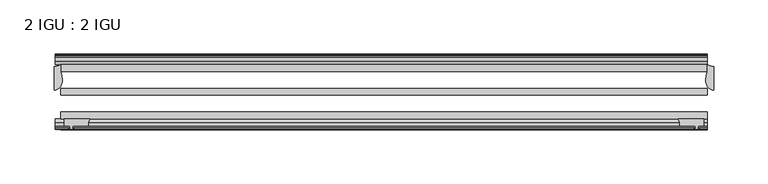
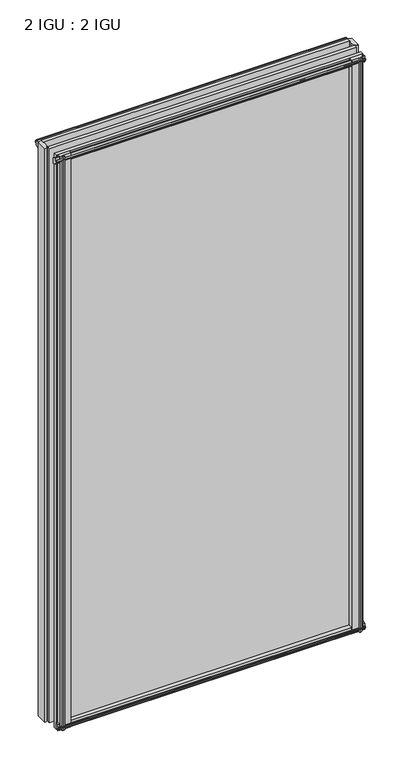
"""IFC4 building model written with IfcOpenShell, lengths in millimetres: plate geometry, 2 IGU : 2 IGU."""

from ifc_helpers import new_model, si_unit, point, frame, frame_2d, origin, place, context, project, spatial, polyline, circle_curve, ellipse_curve, trimmed, segment, composite_curve, outline, extrude, source, transform, mapped, element, save
from ifc_brep_helpers import plane_surface, cylinder_surface, revolved_surface, extruded_surface, advanced_brep


def plate_2_igu_2_igu_e8d048cc(model_context):
    return source(origin(), model_context, "Body", "SolidModel", [
        advanced_brep(
        [(304.8, -21.2713143, -12.303125), (304.8, -43.2929845, -12.303125), (297.2354224, -33.7460937, -12.303125), (298.45, -25.8960937, -12.303125), (298.45, -19.5460937, -12.303125), (304.8, -21.2713143, 1168.4), (298.45, -19.5460937, 1168.4), (298.45, -25.8960937, 1168.4), (297.2354224, -33.7460937, 1168.4), (304.8, -43.2929845, 1168.4)],
        [
            (0, 1),
            (1, 2, ellipse_curve(frame((304.8, -33.7460937, -12.303125), z_axis=(0.0, 0.0, -1.0), x_axis=(0.0, 1.0, 0.0)), 9.5468907, 7.5645776)),
            (2, 3, circle_curve(frame((323.2105831, -33.7460937, -12.303125), z_axis=(0.0, 0.0, -1.0), x_axis=(1.0, 0.0, 0.0)), 25.9751607)),
            (3, 4),
            (4, 0, circle_curve(frame((304.8, -8.7225169, -12.303125), z_axis=(0.0, 0.0, 1.0), x_axis=(1.0, 0.0, 0.0)), 12.5487974)),
            (5, 6, circle_curve(frame((304.8, -8.7225169, 1168.4), z_axis=(0.0, 0.0, -1.0), x_axis=(1.0, 0.0, 0.0)), 12.5487974)),
            (6, 7),
            (7, 8, circle_curve(frame((323.2105831, -33.7460937, 1168.4), z_axis=(0.0, 0.0, 1.0), x_axis=(1.0, 0.0, 0.0)), 25.9751607)),
            (8, 9, ellipse_curve(frame((304.8, -33.7460937, 1168.4), z_axis=(0.0, 0.0, 1.0), x_axis=(0.0, 1.0, 0.0)), 9.5468907, 7.5645776)),
            (9, 5),
            (0, 5),
            (9, 1),
            (8, 2),
            (7, 3),
            (6, 4),
        ],
        [
            plane_surface(frame((304.8, -13.1960937, -12.303125), z_axis=(0.0, 0.0, -1.0), x_axis=(0.0, 1.0, 0.0))),
            plane_surface(frame((304.8, -13.1960937, 1168.4), z_axis=(0.0, 0.0, 1.0), x_axis=(0.0, 1.0, 0.0))),
            plane_surface(frame((304.8, -21.2713143, -12.303125), z_axis=(1.0, 0.0, 0.0), x_axis=(0.0, 0.0, 1.0))),
            extruded_surface(trimmed(ellipse_curve(frame((304.8, -33.7460937, 1168.4), z_axis=(0.0, 0.0, -1.0), x_axis=(0.0, 1.0, 0.0)), 9.5468907, 7.5645776), [point((304.8, -43.2929845, 1168.4))], [point((297.2354224, -33.7460937, 1168.4))], True, "CARTESIAN"), (0.0, 0.0, -1180.703125), 1180.703125),
            cylinder_surface(frame((323.2105831, -33.7460937, -12.303125), z_axis=(0.0, 0.0, -1.0), x_axis=(1.0, 0.0, 0.0)), 25.9751607),
            plane_surface(frame((298.45, -25.8960937, -12.303125), z_axis=(-1.0, 0.0, 0.0), x_axis=(0.0, 0.0, 1.0))),
            revolved_surface(polyline([(317.3487974, -8.7225169, 1168.4), (317.3487974, -8.7225169, -12.303125)]), (304.8, -8.7225169, -12.303125), (0.0, 0.0, 1.0)),
        ],
        [
            (0, [[1, 2, 3, 4, 5]]),
            (1, [[6, 7, 8, 9, 10]]),
            (2, [[-1, 11, -10, 12]]),
            (3, [[-2, -12, -9, 13]]),
            (4, [[-3, -13, -8, 14]]),
            (5, [[-4, -14, -7, 15]]),
            (6, [[-5, -15, -6, -11]]),
        ],
    ),
        advanced_brep(
        [(-304.8, -21.2713143, -12.303125), (-298.45, -19.5460937, -12.303125), (-298.45, -25.8960937, -12.303125), (-297.2354224, -33.7460937, -12.303125), (-304.8, -43.2929845, -12.303125), (-304.8, -21.2713143, 1168.4), (-304.8, -43.2929845, 1168.4), (-297.2354224, -33.7460937, 1168.4), (-298.45, -25.8960937, 1168.4), (-298.45, -19.5460937, 1168.4)],
        [
            (0, 1, circle_curve(frame((-304.8, -8.7225169, -12.303125), z_axis=(0.0, 0.0, 1.0), x_axis=(1.0, 0.0, 0.0)), 12.5487974)),
            (1, 2),
            (2, 3, circle_curve(frame((-323.2105831, -33.7460937, -12.303125), z_axis=(0.0, 0.0, -1.0), x_axis=(1.0, 0.0, 0.0)), 25.9751607)),
            (3, 4, ellipse_curve(frame((-304.8, -33.7460937, -12.303125), z_axis=(0.0, 0.0, -1.0), x_axis=(0.0, 1.0, 0.0)), 9.5468907, 7.5645776)),
            (4, 0),
            (5, 6),
            (6, 7, ellipse_curve(frame((-304.8, -33.7460937, 1168.4), z_axis=(0.0, 0.0, 1.0), x_axis=(0.0, 1.0, 0.0)), 9.5468907, 7.5645776)),
            (7, 8, circle_curve(frame((-323.2105831, -33.7460937, 1168.4), z_axis=(0.0, 0.0, 1.0), x_axis=(1.0, 0.0, 0.0)), 25.9751607)),
            (8, 9),
            (9, 5, circle_curve(frame((-304.8, -8.7225169, 1168.4), z_axis=(0.0, 0.0, -1.0), x_axis=(1.0, 0.0, 0.0)), 12.5487974)),
            (0, 5),
            (9, 1),
            (8, 2),
            (7, 3),
            (6, 4),
        ],
        [
            plane_surface(frame((-304.8, -13.1960937, -12.303125), z_axis=(0.0, 0.0, -1.0), x_axis=(0.0, 1.0, 0.0))),
            plane_surface(frame((-304.8, -13.1960937, 1168.4), z_axis=(0.0, 0.0, 1.0), x_axis=(0.0, 1.0, 0.0))),
            revolved_surface(polyline([(-292.2512026, -8.7225169, 1168.4), (-292.2512026, -8.7225169, -12.303125)]), (-304.8, -8.7225169, -12.303125), (0.0, 0.0, 1.0)),
            plane_surface(frame((-298.45, -19.5460937, -12.303125), z_axis=(1.0, 0.0, 0.0), x_axis=(0.0, 0.0, 1.0))),
            cylinder_surface(frame((-323.2105831, -33.7460937, -12.303125), z_axis=(0.0, 0.0, -1.0), x_axis=(1.0, 0.0, 0.0)), 25.9751607),
            extruded_surface(trimmed(ellipse_curve(frame((-304.8, -33.7460937, 1168.4), z_axis=(0.0, 0.0, -1.0), x_axis=(0.0, 1.0, 0.0)), 9.5468907, 7.5645776), [point((-297.2354224, -33.7460937, 1168.4))], [point((-304.8, -43.2929845, 1168.4))], True, "CARTESIAN"), (0.0, 0.0, -1180.703125), 1180.703125),
            plane_surface(frame((-304.8, -43.2929845, -12.303125), z_axis=(-1.0, 0.0, 0.0), x_axis=(0.0, 0.0, 1.0))),
        ],
        [
            (0, [[1, 2, 3, 4, 5]]),
            (1, [[6, 7, 8, 9, 10]]),
            (2, [[-1, 11, -10, 12]]),
            (3, [[-2, -12, -9, 13]]),
            (4, [[-3, -13, -8, 14]]),
            (5, [[-4, -14, -7, 15]]),
            (6, [[-5, -15, -6, -11]]),
        ],
    ),
        extrude(outline(composite_curve([segment(polyline([(-295.275, -69.9960936), (-272.0662713, -69.9960936)]), True, "CONTINUOUS"), segment(trimmed(circle_curve(frame_2d((-260.7088743, -75.0067563)), 12.4135896), [point((-272.0662713, -69.9960936))], [point((-273.05, -76.3460936))], True, "CARTESIAN"), True, "CONTINUOUS"), segment(polyline([(-273.05, -76.3460936), (-287.655, -76.3460936), (-287.9725, -78.4506955), (-286.7538941, -78.124171), (-286.5501, -78.884741), (-288.925, -79.5210936), (-291.2999, -78.884741), (-291.0961059, -78.124171), (-289.8775, -78.4506955), (-290.195, -76.3460936), (-295.275, -76.3460936), (-295.275, -69.9960936)]), True, "CONTINUOUS")], self_intersect=False)), frame((0.0, 0.0, -12.4587), z_axis=(0.0, 0.0, 1.0), x_axis=(1.0, 0.0, 0.0)), (0.0, 0.0, 1.0), 1180.6174),
        extrude(outline(composite_curve([segment(polyline([(272.0662713, -69.9960936), (295.275, -69.9960936), (295.275, -76.3460936), (290.195, -76.3460936), (289.8775, -78.4506955), (291.0961059, -78.124171), (291.2999, -78.884741), (288.925, -79.5210936), (286.5501, -78.884741), (286.7538941, -78.124171), (287.9725, -78.4506955), (287.655, -76.3460936), (273.05, -76.3460936)]), True, "CONTINUOUS"), segment(trimmed(circle_curve(frame_2d((260.7088743, -75.0067563)), 12.4135896), [point((273.05, -76.3460936))], [point((272.0662713, -69.9960936))], True, "CARTESIAN"), True, "CONTINUOUS")], self_intersect=False)), frame((0.0, 0.0, -12.4587), z_axis=(0.0, 0.0, 1.0), x_axis=(1.0, 0.0, 0.0)), (0.0, 0.0, 1.0), 1180.6174),
        extrude(outline(polyline([(-19.5460937, 1.5938931), (-13.1960937, -0.123825), (-13.1960937, -5.330825), (-10.8158968, -5.711825), (-11.27583, -4.2962959), (-10.4746158, -4.2962959), (-9.7670937, -6.473825), (-10.4746158, -8.6513541), (-11.27583, -8.6513541), (-10.8158968, -7.235825), (-13.1960937, -7.616825), (-13.1960937, -12.061825), (-16.1424937, -12.061825), (-19.5460937, -9.2274828), (-19.5460937, 1.5938931)])), frame((-298.45, 0.0, 0.0), z_axis=(1.0, 0.0, 0.0), x_axis=(0.0, 1.0, 0.0)), (0.0, 0.0, 1.0), 596.9),
        extrude(outline(polyline([(-69.9960936, 2.1145931), (-69.9960936, -8.7067828), (-73.3996936, -11.541125), (-76.3460936, -11.541125), (-76.3460936, -7.096125), (-78.7262905, -6.715125), (-78.2663573, -8.1306541), (-79.0675715, -8.1306541), (-79.7750936, -5.953125), (-79.0675715, -3.7755959), (-78.2663573, -3.7755959), (-78.7262905, -5.191125), (-76.3460936, -4.810125), (-76.3460936, 0.396875), (-69.9960936, 2.1145931)])), frame((-298.45, 0.0, 0.0), z_axis=(1.0, 0.0, 0.0), x_axis=(0.0, 1.0, 0.0)), (0.0, 0.0, 1.0), 596.9),
        extrude(outline(polyline([(-10.8158968, 1163.3327), (-11.27583, 1164.7482291), (-10.4746158, 1164.7482291), (-9.7670937, 1162.5707), (-10.4746158, 1160.3931709), (-11.27583, 1160.3931709), (-10.8158968, 1161.8087), (-13.1960937, 1161.4277), (-13.1960937, 1156.2207), (-19.5460937, 1154.5029819), (-19.5460937, 1165.3243578), (-16.1424937, 1168.1587), (-13.1960937, 1168.1587), (-13.1960937, 1163.7137), (-10.8158968, 1163.3327)])), frame((-303.7961059, 0.0, 0.0), z_axis=(1.0, 0.0, 0.0), x_axis=(0.0, 1.0, 0.0)), (0.0, 0.0, 1.0), 602.2461059),
        extrude(outline(polyline([(-76.3460936, 1167.638), (-73.3996936, 1167.638), (-69.9960936, 1164.8036578), (-69.9960936, 1153.9822819), (-76.3460936, 1155.7), (-76.3460936, 1160.907), (-78.7262905, 1161.288), (-78.2663573, 1159.8724709), (-79.0675715, 1159.8724709), (-79.7750936, 1162.05), (-79.0675715, 1164.2275291), (-78.2663573, 1164.2275291), (-78.7262905, 1162.812), (-76.3460936, 1163.193), (-76.3460936, 1167.638)])), frame((-303.7961059, 0.0, 0.0), z_axis=(1.0, 0.0, 0.0), x_axis=(0.0, 1.0, 0.0)), (0.0, 0.0, 1.0), 602.2461059),
        extrude(outline(polyline([(298.45, -19.5460937), (298.45, -25.8960937), (-298.45, -25.8960937), (-298.45, -19.5460937), (298.45, -19.5460937)])), frame((0.0, 0.0, -12.303125), z_axis=(0.0, 0.0, 1.0), x_axis=(1.0, 0.0, 0.0)), (0.0, 0.0, 1.0), 1180.703125),
        extrude(outline(polyline([(-298.45, -41.5960937), (298.45, -41.5960937), (298.45, -47.9460937), (-298.45, -47.9460937), (-298.45, -41.5960937)])), frame((0.0, 0.0, -12.303125), z_axis=(0.0, 0.0, 1.0), x_axis=(1.0, 0.0, 0.0)), (0.0, 0.0, 1.0), 1180.703125),
        extrude(outline(polyline([(298.45, -63.6460936), (298.45, -69.9960936), (-298.45, -69.9960936), (-298.45, -63.6460936), (298.45, -63.6460936)])), frame((0.0, 0.0, -12.303125), z_axis=(0.0, 0.0, 1.0), x_axis=(1.0, 0.0, 0.0)), (0.0, 0.0, 1.0), 1180.703125),
    ])


if __name__ == "__main__":
    model = new_model("IFC4")
    model_context = context("Model", 3, world=origin())
    ifc_project = project(units=[si_unit("LENGTHUNIT", "METRE", prefix="MILLI")], contexts=[model_context])
    site = spatial("IfcSite", under=ifc_project)
    building = spatial("IfcBuilding", under=site)
    placement = place(None, origin())
    plate_2_igu_2_igu_shape = plate_2_igu_2_igu_e8d048cc(model_context)
    element("IfcPlate", 1, ObjectType="2 IGU : 2 IGU", at=placement, inside=building, context=model_context, shape_type="MappedRepresentation", body=[
        mapped(plate_2_igu_2_igu_shape, transform((0.0, 0.0, 0.0), x_axis=(1.0, 0.0, 0.0), y_axis=(0.0, 1.0, 0.0), z_axis=(0.0, 0.0, 1.0))),
    ])
    save(model, "model.ifc")
